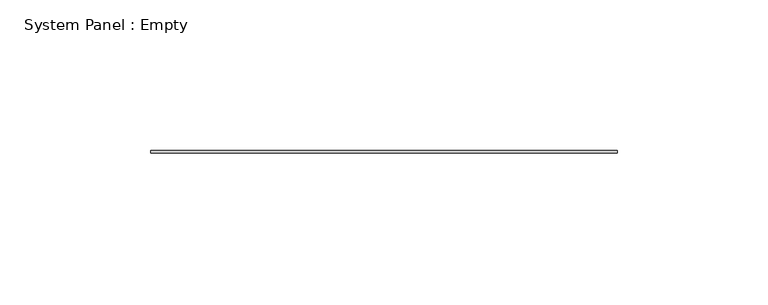
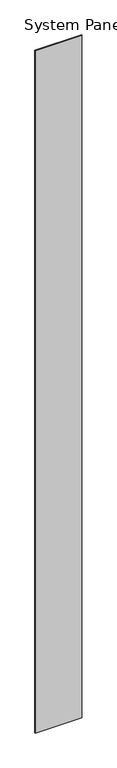
"""IFC4 building model written with IfcOpenShell, lengths in millimetres: plate geometry, System Panel : Empty."""

from ifc_helpers import new_model, si_unit, origin, origin_with_axes, place, context, project, spatial, polyline, outline, extrude, source, transform, mapped, element, save


def system_panel_empty_bd9512f1(model_context):
    return source(origin(), model_context, "Body", "SweptSolid", [
        extrude(outline(polyline([(77.4056702, -0.396875), (-77.4056702, -0.396875), (-77.4056702, 0.396875), (77.4056702, 0.396875), (77.4056702, -0.396875)])), origin_with_axes(), (0.0, 0.0, 1.0), 2384.425),
    ])


if __name__ == "__main__":
    model = new_model("IFC4")
    model_context = context("Model", 3, world=origin())
    ifc_project = project(units=[si_unit("LENGTHUNIT", "METRE", prefix="MILLI")], contexts=[model_context])
    site = spatial("IfcSite", under=ifc_project)
    building = spatial("IfcBuilding", under=site)
    placement = place(None, origin())
    system_panel_empty_shape = system_panel_empty_bd9512f1(model_context)
    element("IfcPlate", 1, ObjectType="System Panel : Empty", at=placement, inside=building, context=model_context, shape_type="MappedRepresentation", body=[
        mapped(system_panel_empty_shape, transform((0.0, 0.0, 0.0), x_axis=(1.0, 0.0, 0.0), y_axis=(0.0, 1.0, 0.0), z_axis=(0.0, 0.0, 1.0))),
    ])
    save(model, "model.ifc")
